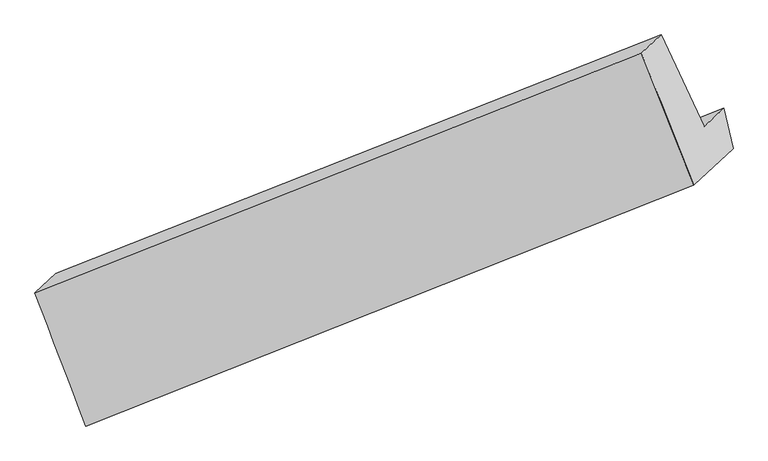
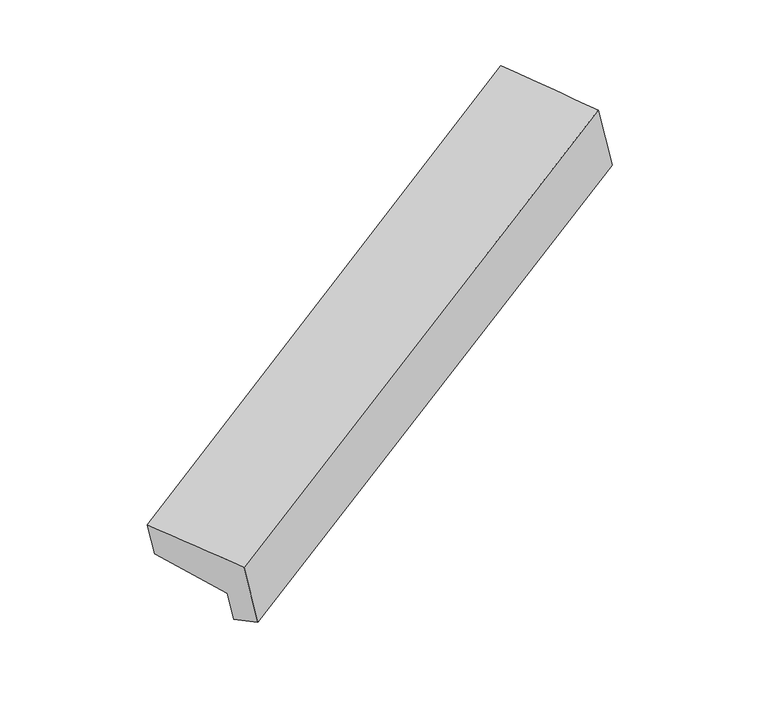
"""IFC4 building model written with IfcOpenShell, lengths in millimetres: proxy geometry."""

from ifc_helpers import new_model, si_unit, frame, origin, place, context, project, spatial, source, transform, mapped, element, save
from ifc_brep_helpers import plane_surface, spline_surface, advanced_brep


def generic_models_ab0b7b1f(model_context):
    return source(origin(), model_context, "Body", "AdvancedBrep", [
        advanced_brep(
        [(-4782.2739237, -2751.0038334, 1438.2753099), (-4533.3756697, -2521.1949929, 722.4322692), (-688.9042857, -995.515207, 2499.1610245), (-937.8025397, -1225.3240475, 3215.0040652), (-5103.7353375, -1906.9644286, 1413.2894027), (-1268.692446, -389.9900109, 3217.1349442), (-4972.8562719, -1786.123218, 1036.8750775), (-1144.0990421, -274.9523791, 2858.7984765), (-4700.379726, -2366.1882993, 945.3953207), (-871.6224962, -855.0174603, 2767.3187198), (-4581.7661575, -2256.6718755, 604.25714), (-746.723266, -739.6974578, 2408.1026815)],
        [
            (0, 1),
            (1, 2),
            (2, 3),
            (3, 0),
            (4, 0),
            (3, 5),
            (5, 4),
            (6, 4),
            (5, 7),
            (7, 6),
            (8, 6),
            (7, 9),
            (9, 8),
            (10, 8),
            (9, 11),
            (11, 10),
            (1, 10),
            (11, 2),
        ],
        [
            plane_surface(frame((-4657.8247967, -2636.0994131, 1080.3537895), z_axis=(0.42089790589720893, -0.8960337383110857, -0.14130991691882402), x_axis=(0.3142830834377558, 0.2901789379899841, -0.9038928738583248))),
            spline_surface(1, 1, [[(-5103.7353375, -1906.9644286, 1413.2894027), (-1268.692446, -389.9900109, 3217.1349442)], [(-4782.2739237, -2751.0038334, 1438.2753099), (-937.8025397, -1225.3240475, 3215.0040652)]], [2, 2], [2, 2], [0.0, 1.0], [0.0, 1.0]),
            plane_surface(frame((-5038.2958047, -1846.5438233, 1225.0822401), z_axis=(-0.4208979058972091, 0.8960337383110858, 0.14130991691882422), x_axis=(-0.31428308343775585, -0.29017893798998434, 0.9038928738583248))),
            plane_surface(frame((-4836.617999, -2076.1557587, 991.1351991), z_axis=(0.31522807039516265, 0.29055201704796885, -0.9034438494031045), x_axis=(-0.42089790589720255, 0.8960337383110882, 0.14130991691882777))),
            plane_surface(frame((-4641.0729418, -2311.4300874, 774.8262304), z_axis=(-0.42089790589720905, 0.8960337383110857, 0.14130991691882433), x_axis=(-0.3142830834377557, -0.2901789379899844, 0.9038928738583248))),
            spline_surface(1, 1, [[(-4533.3756697, -2521.1949929, 722.4322692), (-688.9042857, -995.515207, 2499.1610245)], [(-4581.7661575, -2256.6718755, 604.25714), (-746.723266, -739.6974578, 2408.1026815)]], [2, 2], [2, 2], [0.0, 1.0], [0.0, 1.0]),
            plane_surface(frame((-942.9740126, -746.7494271, 2827.586652), z_axis=(0.8509236724149861, 0.3360353013527909, 0.40374395347612657), x_axis=(-0.42089790589720255, 0.8960337383110882, 0.14130991691882777))),
            plane_surface(frame((-4779.0645144, -2264.691108, 1026.7540867), z_axis=(-0.8509236724149845, -0.3360353013527944, -0.40374395347612685), x_axis=(-0.31428308343775546, -0.2901789379899845, 0.903892873858325))),
        ],
        [
            (0, [[1, 2, 3, 4]]),
            (1, [[5, -4, 6, 7]]),
            (2, [[8, -7, 9, 10]]),
            (3, [[11, -10, 12, 13]]),
            (4, [[14, -13, 15, 16]]),
            (5, [[17, -16, 18, -2]]),
            (6, [[-12, -9, -6, -3, -18, -15]]),
            (7, [[-1, -5, -8, -11, -14, -17]]),
        ],
    ),
    ])


if __name__ == "__main__":
    model = new_model("IFC4")
    model_context = context("Model", 3, world=origin())
    ifc_project = project(units=[si_unit("LENGTHUNIT", "METRE", prefix="MILLI")], contexts=[model_context])
    site = spatial("IfcSite", under=ifc_project)
    building = spatial("IfcBuilding", under=site)
    placement = place(None, origin())
    generic_models_shape = generic_models_ab0b7b1f(model_context)
    element("IfcBuildingElementProxy", 1, Name="Generic Models", at=placement, inside=building, context=model_context, shape_type="MappedRepresentation", body=[
        mapped(generic_models_shape, transform((0.0, 0.0, 0.0), x_axis=(1.0, 0.0, 0.0), y_axis=(0.0, 1.0, 0.0), z_axis=(0.0, 0.0, 1.0))),
    ])
    save(model, "model.ifc")
